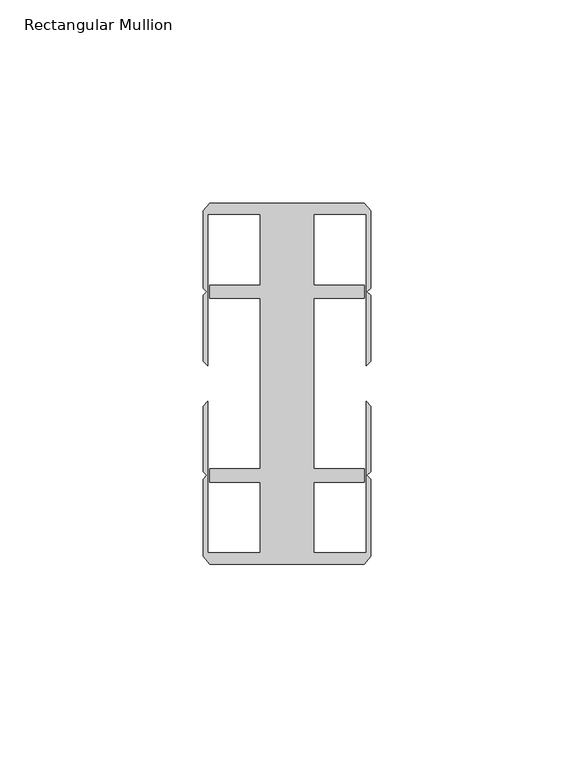
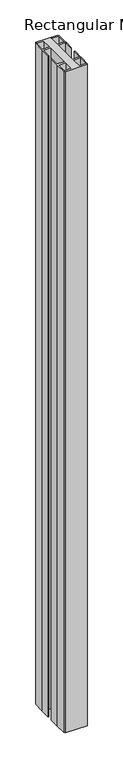
"""IFC4 building model written with IfcOpenShell, lengths in millimetres: member geometry, Rectangular Mullion."""

from ifc_helpers import new_model, si_unit, frame, origin, place, context, project, spatial, polyline, outline, extrude, source, transform, mapped, element, save


def rectangular_mullion_b8a6bcb6(model_context):
    return source(origin(), model_context, "Body", "SweptSolid", [
        extrude(outline(polyline([(6.6000002, 41.6500013), (6.6000002, 24.2500008), (19.05, 24.2500008), (19.05, 20.9500007), (6.6000002, 20.9500007), (6.6000002, -20.9500007), (19.05, -20.9500007), (19.05, -24.2500008), (6.6000002, -24.2500008), (6.6000002, -41.6500013), (19.4924102, -41.6500013), (19.4924102, -4.4111602), (20.6375, -5.55625), (20.6375, -21.7153948), (19.7291674, -22.6237274), (20.6375, -23.53206), (20.6375, -42.5778955), (19.05, -44.45), (-19.05, -44.45), (-20.6375, -42.5778955), (-20.6375, -23.53206), (-19.7291674, -22.6237274), (-20.6375, -21.7153948), (-20.6375, -5.55625), (-19.4924102, -4.4111602), (-19.4924102, -41.6500013), (-6.6000002, -41.6500013), (-6.6000002, -24.2500008), (-19.05, -24.2500008), (-19.05, -20.9500007), (-6.6000002, -20.9500007), (-6.6000002, 20.9500007), (-19.05, 20.9500007), (-19.05, 24.2500008), (-6.6000002, 24.2500008), (-6.6000002, 41.6500013), (-19.4924102, 41.6500013), (-19.4924102, 4.4111602), (-20.6375, 5.55625), (-20.6375, 21.7153948), (-19.7291674, 22.6237274), (-20.6375, 23.53206), (-20.6375, 42.5778955), (-19.05, 44.45), (19.05, 44.45), (20.6375, 42.5778955), (20.6375, 23.53206), (19.7291674, 22.6237274), (20.6375, 21.7153948), (20.6375, 5.55625), (19.4924102, 4.4111602), (19.4924102, 41.6500013), (6.6000002, 41.6500013)])), frame((0.0, 0.0, -1219.2), z_axis=(0.0, 0.0, 1.0), x_axis=(1.0, 0.0, 0.0)), (0.0, 0.0, 1.0), 1219.2),
    ])


if __name__ == "__main__":
    model = new_model("IFC4")
    model_context = context("Model", 3, world=origin())
    ifc_project = project(units=[si_unit("LENGTHUNIT", "METRE", prefix="MILLI")], contexts=[model_context])
    site = spatial("IfcSite", under=ifc_project)
    building = spatial("IfcBuilding", under=site)
    placement = place(None, origin())
    rectangular_mullion_shape = rectangular_mullion_b8a6bcb6(model_context)
    element("IfcMember", 1, ObjectType="Rectangular Mullion", at=placement, inside=building, context=model_context, shape_type="MappedRepresentation", body=[
        mapped(rectangular_mullion_shape, transform((0.0, 0.0, 0.0), x_axis=(1.0, 0.0, 0.0), y_axis=(0.0, 1.0, 0.0), z_axis=(0.0, 0.0, 1.0))),
    ])
    save(model, "model.ifc")
